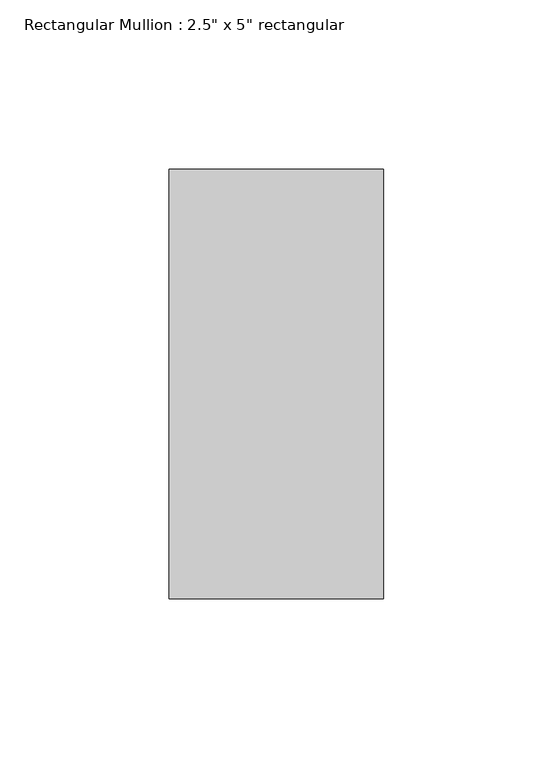
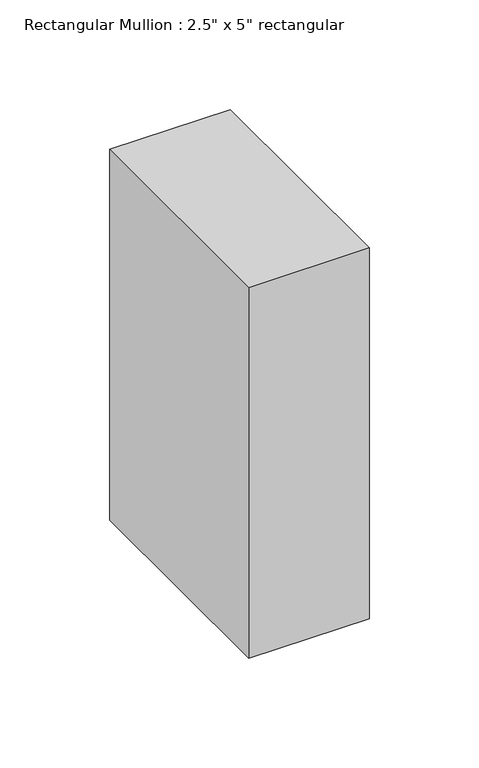
"""IFC4 building model written with IfcOpenShell, lengths in millimetres: member geometry."""

from ifc_helpers import new_model, si_unit, frame, origin, place, context, project, spatial, polyline, outline, extrude, source, transform, mapped, element, save


def member_7234bd49(model_context):
    return source(origin(), model_context, "Body", "SweptSolid", [
        extrude(outline(polyline([(0.0, 63.5), (0.0, -63.5), (-63.5, -63.5), (-63.5, 63.5), (0.0, 63.5)])), frame((0.0, 0.0, -206.4573431), z_axis=(0.0, 0.0, 1.0), x_axis=(1.0, 0.0, 0.0)), (0.0, 0.0, 1.0), 206.4573431),
    ])


if __name__ == "__main__":
    model = new_model("IFC4")
    model_context = context("Model", 3, world=origin())
    ifc_project = project(units=[si_unit("LENGTHUNIT", "METRE", prefix="MILLI")], contexts=[model_context])
    site = spatial("IfcSite", under=ifc_project)
    building = spatial("IfcBuilding", under=site)
    placement = place(None, origin())
    member_shape = member_7234bd49(model_context)
    element("IfcMember", 1, ObjectType="Rectangular Mullion : 2.5\" x 5\" rectangular", at=placement, inside=building, context=model_context, shape_type="MappedRepresentation", body=[
        mapped(member_shape, transform((0.0, 0.0, 0.0), x_axis=(1.0, 0.0, 0.0), y_axis=(0.0, 1.0, 0.0), z_axis=(0.0, 0.0, 1.0))),
    ])
    save(model, "model.ifc")
